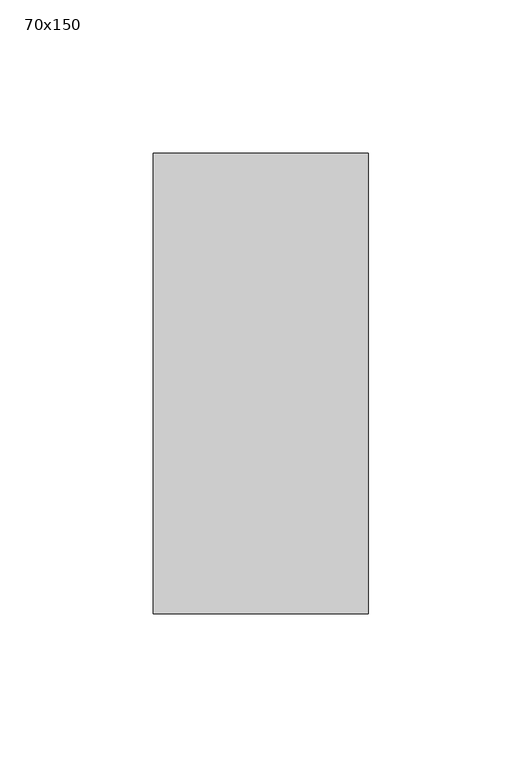
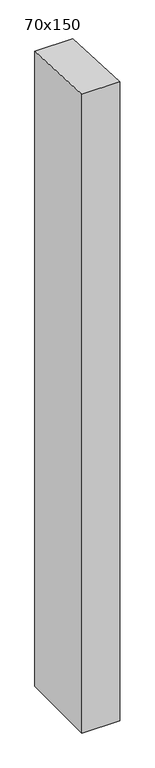
"""IFC4 building model written with IfcOpenShell, lengths in millimetres: member geometry, 70x150."""

from ifc_helpers import new_model, si_unit, frame, origin, place, context, project, spatial, polyline, outline, extrude, source, transform, mapped, element, save


def member_70x150_804c6201(model_context):
    return source(origin(), model_context, "Body", "SweptSolid", [
        extrude(outline(polyline([(-75.0, 3.757411), (75.0, -3.757411), (75.0, -1240.9894365), (-75.0, -1240.9894365), (-75.0, 3.757411)])), frame((-70.0, 0.0, 0.0), z_axis=(1.0, 0.0, 0.0), x_axis=(0.0, 1.0, 0.0)), (0.0, 0.0, 1.0), 70.0),
    ])


if __name__ == "__main__":
    model = new_model("IFC4")
    model_context = context("Model", 3, world=origin())
    ifc_project = project(units=[si_unit("LENGTHUNIT", "METRE", prefix="MILLI")], contexts=[model_context])
    site = spatial("IfcSite", under=ifc_project)
    building = spatial("IfcBuilding", under=site)
    placement = place(None, origin())
    member_70x150_shape = member_70x150_804c6201(model_context)
    element("IfcMember", 1, ObjectType="70x150", at=placement, inside=building, context=model_context, shape_type="MappedRepresentation", body=[
        mapped(member_70x150_shape, transform((0.0, 0.0, 0.0), x_axis=(1.0, 0.0, 0.0), y_axis=(0.0, 1.0, 0.0), z_axis=(0.0, 0.0, 1.0))),
    ])
    save(model, "model.ifc")
